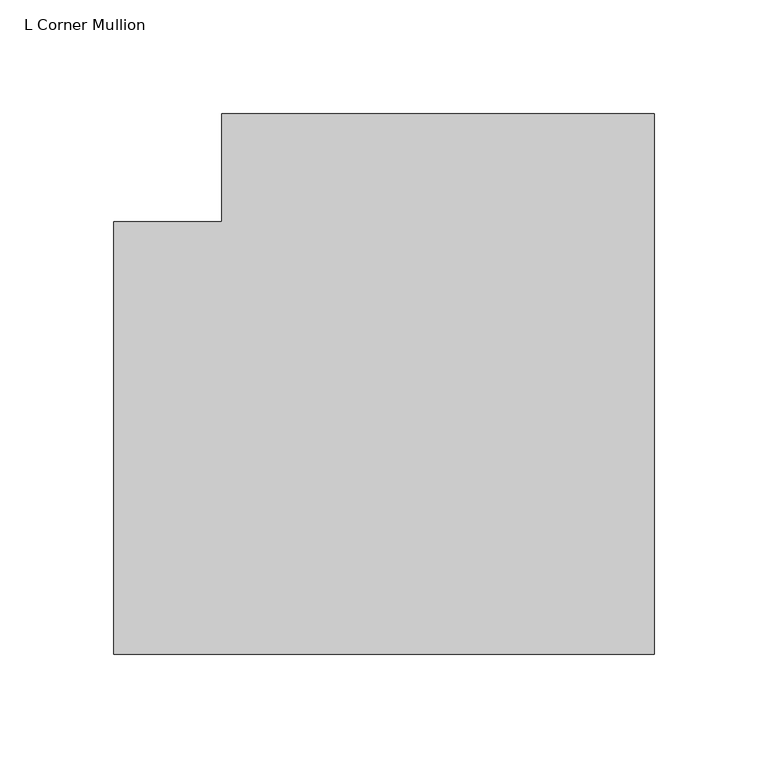
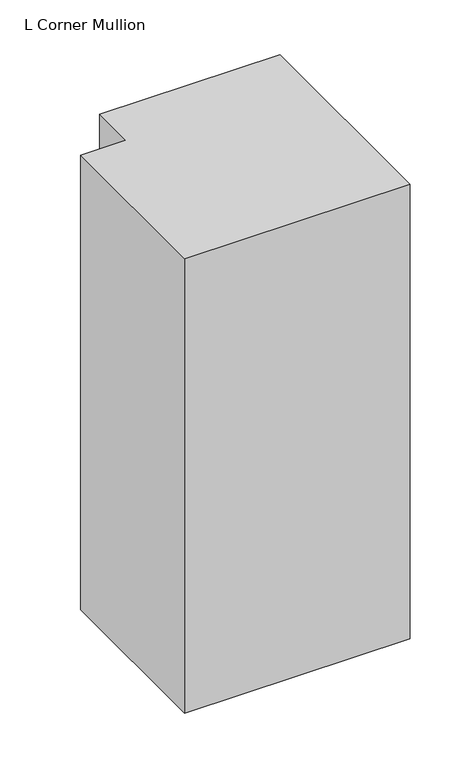
"""IFC4 building model written with IfcOpenShell, lengths in millimetres: member geometry, L Corner Mullion."""

from ifc_helpers import new_model, si_unit, frame, origin, place, context, project, spatial, polyline, outline, extrude, source, transform, mapped, element, save


def l_corner_mullion_f9dccbd0(model_context):
    return source(origin(), model_context, "Body", "SweptSolid", [
        extrude(outline(polyline([(152.4, 85.725), (152.4, -152.4), (-85.725, -152.4), (-85.725, 38.1), (-38.1, 38.1), (-38.1, 85.725), (152.4, 85.725)])), frame((0.0, 0.0, -507.51022), z_axis=(0.0, 0.0, 1.0), x_axis=(1.0, 0.0, 0.0)), (0.0, 0.0, 1.0), 507.51022),
    ])


if __name__ == "__main__":
    model = new_model("IFC4")
    model_context = context("Model", 3, world=origin())
    ifc_project = project(units=[si_unit("LENGTHUNIT", "METRE", prefix="MILLI")], contexts=[model_context])
    site = spatial("IfcSite", under=ifc_project)
    building = spatial("IfcBuilding", under=site)
    placement = place(None, origin())
    l_corner_mullion_shape = l_corner_mullion_f9dccbd0(model_context)
    element("IfcMember", 1, ObjectType="L Corner Mullion", at=placement, inside=building, context=model_context, shape_type="MappedRepresentation", body=[
        mapped(l_corner_mullion_shape, transform((0.0, 0.0, 0.0), x_axis=(1.0, 0.0, 0.0), y_axis=(0.0, 1.0, 0.0), z_axis=(0.0, 0.0, 1.0))),
    ])
    save(model, "model.ifc")
